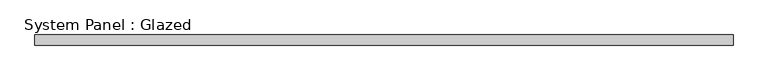
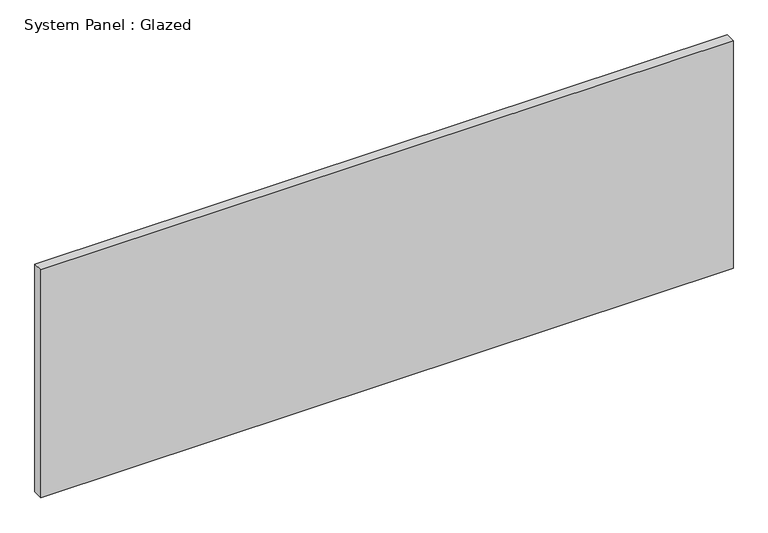
"""IFC4 building model written with IfcOpenShell, lengths in millimetres: plate geometry, System Panel : Glazed."""

from ifc_helpers import new_model, si_unit, origin, origin_with_axes, place, context, project, spatial, polyline, outline, extrude, source, transform, mapped, element, save


def system_panel_glazed_973befbc(model_context):
    return source(origin(), model_context, "Body", "SweptSolid", [
        extrude(outline(polyline([(876.3, 19.05), (-876.3, 19.05), (-876.3, 44.45), (876.3, 44.45), (876.3, 19.05)])), origin_with_axes(), (0.0, 0.0, 1.0), 609.6),
    ])


if __name__ == "__main__":
    model = new_model("IFC4")
    model_context = context("Model", 3, world=origin())
    ifc_project = project(units=[si_unit("LENGTHUNIT", "METRE", prefix="MILLI")], contexts=[model_context])
    site = spatial("IfcSite", under=ifc_project)
    building = spatial("IfcBuilding", under=site)
    placement = place(None, origin())
    system_panel_glazed_shape = system_panel_glazed_973befbc(model_context)
    element("IfcPlate", 1, ObjectType="System Panel : Glazed", at=placement, inside=building, context=model_context, shape_type="MappedRepresentation", body=[
        mapped(system_panel_glazed_shape, transform((0.0, 0.0, 0.0), x_axis=(1.0, 0.0, 0.0), y_axis=(0.0, 1.0, 0.0), z_axis=(0.0, 0.0, 1.0))),
    ])
    save(model, "model.ifc")
